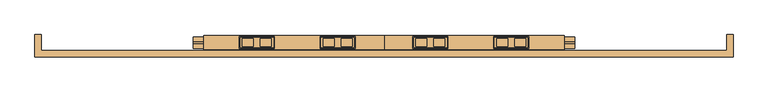
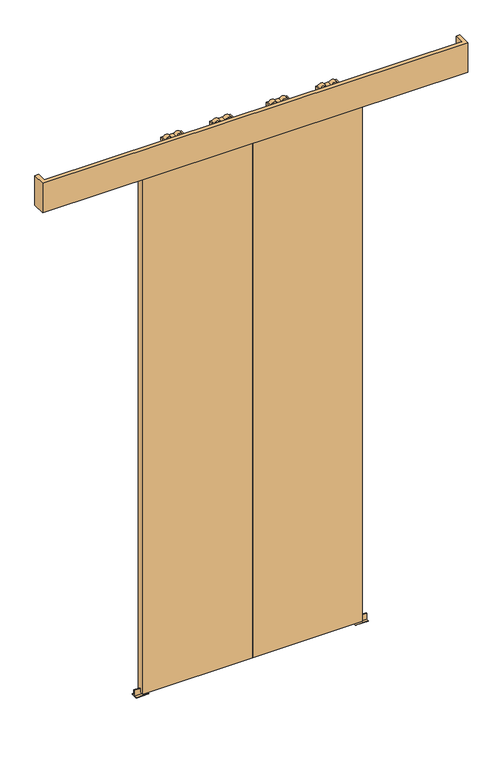
"""IFC4 building model written with IfcOpenShell, lengths in millimetres: door geometry."""

import ifcopenshell
import ifcopenshell.guid

model = None  # the IFC model being written
_history = None  # IfcOwnerHistory: only IFC2X3 demands one
_inside = {}  # id of a spatial element -> (the spatial element, [elements in it])
_under = {}  # id of a project, library or spatial element -> (it, [spatial elements below it])
_declared = {}  # id of a project -> (the project, [libraries it declares])
_typed = {}  # id of a type object -> (the type object, [elements of that type])
_made_of = {}  # id of a material, layer set ... -> (it, [elements and type objects made of it])


def new_model(schema):
    """Start an empty IFC model of exactly this schema.

    Asked for "IFC4X3", IfcOpenShell would pick the latest addendum, in which some entities
    have other attributes; the version numbers below select the first issue.
    IFC2X3 requires an IfcOwnerHistory on every rooted entity: one is made here for all.
    """
    global model, _history
    if schema == "IFC4X3":
        model = ifcopenshell.file(schema_version=(4, 3, 0, 0))
    else:
        model = ifcopenshell.file(schema=schema)
    _inside.clear()
    _under.clear()
    _declared.clear()
    _typed.clear()
    _made_of.clear()
    _history = None
    if model.schema == "IFC2X3":
        org = make("IfcOrganization", Name="unknown")
        user = make(
            "IfcPersonAndOrganization",
            ThePerson=make("IfcPerson", FamilyName="unknown"),
            TheOrganization=org,
        )
        app = make(
            "IfcApplication",
            ApplicationDeveloper=org,
            Version="unknown",
            ApplicationFullName="unknown",
            ApplicationIdentifier="unknown",
        )
        _history = make(
            "IfcOwnerHistory",
            OwningUser=user,
            OwningApplication=app,
            ChangeAction="ADDED",
            CreationDate=0,
        )
    return model


def make(cls, **values):
    """One entity of the class cls with the attributes given. An attribute that is None is left unset."""
    return model.create_entity(
        cls, **{name: value for name, value in values.items() if value is not None}
    )


def rooted(cls, **values):
    """An entity with a GlobalId (a new one), such as an element, a storey or a relation."""
    return make(cls, GlobalId=ifcopenshell.guid.new(), OwnerHistory=_history, **values)


def si_unit(unit_type, name, prefix=None):
    """IfcSIUnit, for example si_unit("LENGTHUNIT", "METRE", prefix="MILLI")."""
    return make("IfcSIUnit", UnitType=unit_type, Prefix=prefix, Name=name)


def assignment(units):
    """IfcUnitAssignment: the units of a project."""
    return None if units is None else make("IfcUnitAssignment", Units=units)


def point(xyz):
    """IfcCartesianPoint."""
    return None if xyz is None else make("IfcCartesianPoint", Coordinates=xyz)


def direction(xyz):
    """IfcDirection."""
    return None if xyz is None else make("IfcDirection", DirectionRatios=xyz)


def frame(location, z_axis=None, x_axis=None):
    """IfcAxis2Placement3D, a coordinate frame: its origin and axes. An axis left out is left unset."""
    return make(
        "IfcAxis2Placement3D",
        Location=point(location),
        Axis=direction(z_axis),
        RefDirection=direction(x_axis),
    )


def frame_2d(location, x_axis=None):
    """IfcAxis2Placement2D, a coordinate frame in the plane: its origin and x axis."""
    return make(
        "IfcAxis2Placement2D", Location=point(location), RefDirection=direction(x_axis)
    )


def origin():
    """The frame at (0, 0, 0) with its axes left unset."""
    return frame((0.0, 0.0, 0.0))


def place(relative_to, where):
    """IfcLocalPlacement: puts the frame where relative to a parent placement (None: the world)."""
    return make(
        "IfcLocalPlacement", PlacementRelTo=relative_to, RelativePlacement=where
    )


def context(
    kind, dimensions, precision=None, world=None, true_north=None, identifier=None
):
    """IfcGeometricRepresentationContext, for example the 3D "Model" context."""
    return make(
        "IfcGeometricRepresentationContext",
        ContextIdentifier=identifier,
        ContextType=kind,
        CoordinateSpaceDimension=dimensions,
        Precision=precision,
        WorldCoordinateSystem=world,
        TrueNorth=true_north,
    )


def project(units=None, contexts=None):
    """IfcProject with its units and contexts."""
    return rooted(
        "IfcProject",
        Name="project",
        RepresentationContexts=contexts,
        UnitsInContext=assignment(units),
    )


def spatial(cls, under=None, at=None, **own):
    """A site, building, storey or space (cls), placed at a placement, below another one or the project."""
    s = rooted(cls, ObjectPlacement=at, **own)
    if under is not None:
        _under.setdefault(under.id(), (under, []))[1].append(s)
    return s


def polyline(points):
    """IfcPolyline through the points."""
    return make("IfcPolyline", Points=[point(p) for p in points])


def circle_curve(where, radius):
    """IfcCircle in the frame where."""
    return make("IfcCircle", Position=where, Radius=radius)


def trimmed(basis, trim1, trim2, sense, master):
    """IfcTrimmedCurve: the piece of a basis curve between two trims."""
    return make(
        "IfcTrimmedCurve",
        BasisCurve=basis,
        Trim1=trim1,
        Trim2=trim2,
        SenseAgreement=sense,
        MasterRepresentation=master,
    )


def segment(curve, same_sense, transition):
    """IfcCompositeCurveSegment."""
    return make(
        "IfcCompositeCurveSegment",
        Transition=transition,
        SameSense=same_sense,
        ParentCurve=curve,
    )


def composite_curve(segments, self_intersect=None):
    """IfcCompositeCurve: segments joined end to end."""
    return make("IfcCompositeCurve", Segments=segments, SelfIntersect=self_intersect)


def outline(outer, holes=None, kind="AREA"):
    """IfcArbitraryClosedProfileDef: a profile drawn as a closed curve; with holes, ...WithVoids."""
    if holes is None:
        return make("IfcArbitraryClosedProfileDef", ProfileType=kind, OuterCurve=outer)
    return make(
        "IfcArbitraryProfileDefWithVoids",
        ProfileType=kind,
        OuterCurve=outer,
        InnerCurves=holes,
    )


def extrude(swept, where, along, depth):
    """IfcExtrudedAreaSolid: the profile swept, set in the frame where, extruded along a direction by depth."""
    return make(
        "IfcExtrudedAreaSolid",
        SweptArea=swept,
        Position=where,
        ExtrudedDirection=direction(along),
        Depth=depth,
    )


def shape(context_of_items, identifier, shape_type, items):
    """IfcShapeRepresentation: the items that make up one representation, for example the "Body"."""
    return make(
        "IfcShapeRepresentation",
        ContextOfItems=context_of_items,
        RepresentationIdentifier=identifier,
        RepresentationType=shape_type,
        Items=items,
    )


def source(mapping_origin, context_of_items, identifier, shape_type, items):
    """IfcRepresentationMap: a shape defined once, which mapped items show again and again."""
    return make(
        "IfcRepresentationMap",
        MappingOrigin=mapping_origin,
        MappedRepresentation=shape(context_of_items, identifier, shape_type, items),
    )


def transform(
    local_origin,
    x_axis=None,
    y_axis=None,
    z_axis=None,
    scale=None,
    scale2=None,
    scale3=None,
    uniform=True,
):
    """IfcCartesianTransformationOperator3D, or its non-uniform kind. x_axis, y_axis, z_axis: its Axis1, 2, 3."""
    if uniform:
        return make(
            "IfcCartesianTransformationOperator3D",
            Axis1=direction(x_axis),
            Axis2=direction(y_axis),
            LocalOrigin=point(local_origin),
            Scale=scale,
            Axis3=direction(z_axis),
        )
    return make(
        "IfcCartesianTransformationOperator3DnonUniform",
        Axis1=direction(x_axis),
        Axis2=direction(y_axis),
        LocalOrigin=point(local_origin),
        Scale=scale,
        Axis3=direction(z_axis),
        Scale2=scale2,
        Scale3=scale3,
    )


def mapped(mapping_source, mapping_target):
    """IfcMappedItem: shows the shape of a source again, moved by a transform."""
    return make(
        "IfcMappedItem", MappingSource=mapping_source, MappingTarget=mapping_target
    )


def made_of(thing, what):
    """Note that an element or type object is made of a material, layer set ...; save() writes the relation."""
    if what is not None:
        _made_of.setdefault(what.id(), (what, []))[1].append(thing)
    return thing


def element(
    cls,
    number,
    at=None,
    inside=None,
    cuts=None,
    type_object=None,
    material=None,
    context=None,
    identifier="Body",
    shape_type=None,
    held_by="IfcProductDefinitionShape",
    body=None,
    shapes=None,
    **own,
):
    """One element of the class cls, such as IfcWall. Its Tag is "e" and its number.

    at: its placement. inside: the storey or other place that contains it. cuts: it is an
    opening in that element (IfcRelVoidsElement). A single representation is given by context,
    identifier, shape_type and body (its items); several are given by shapes. held_by: the class
    of the entity that holds the representations. save() writes the other relations.
    """
    e = rooted(cls, Tag="e%d" % number, ObjectPlacement=at, **own)
    if body is not None:
        shapes = [shape(context, identifier, shape_type, body)]
    if shapes is not None:
        e.Representation = make(held_by, Representations=shapes)
    if inside is not None:
        _inside.setdefault(inside.id(), (inside, []))[1].append(e)
    if cuts is not None:
        rooted(
            "IfcRelVoidsElement", RelatingBuildingElement=cuts, RelatedOpeningElement=e
        )
    if type_object is not None:
        _typed.setdefault(type_object.id(), (type_object, []))[1].append(e)
    return made_of(e, material)


def aggregate(whole, parts):
    """IfcRelAggregates: a whole, such as a stair, and the parts it consists of."""
    return rooted("IfcRelAggregates", RelatingObject=whole, RelatedObjects=parts)


def save(model, path):
    """Write the relations noted so far, then the file.

    IfcRelAggregates (storeys below a building ...), IfcRelContainedInSpatialStructure (elements
    in a storey), IfcRelDefinesByType, IfcRelAssociatesMaterial and IfcRelDeclares: one each for
    every whole, place, type object, material and project.
    """
    for whole, parts in _under.values():
        aggregate(whole, parts)
    for where, things in _inside.values():
        rooted(
            "IfcRelContainedInSpatialStructure",
            RelatedElements=things,
            RelatingStructure=where,
        )
    for kind, things in _typed.values():
        rooted("IfcRelDefinesByType", RelatedObjects=things, RelatingType=kind)
    for what, things in _made_of.values():
        rooted("IfcRelAssociatesMaterial", RelatedObjects=things, RelatingMaterial=what)
    for by, libraries in _declared.values():
        rooted("IfcRelDeclares", RelatingContext=by, RelatedDefinitions=libraries)
    model.write(path)


def plane_surface(at):
    """IfcPlane: the flat surface through the origin of the frame at, square to its z axis."""
    return make("IfcPlane", Position=at)


def cylinder_surface(at, radius):
    """IfcCylindricalSurface: all points at the distance radius from the z axis of the frame at."""
    return make("IfcCylindricalSurface", Position=at, Radius=radius)


def advanced_brep(points, edges, surfaces, faces):
    """IfcAdvancedBrep: a solid bounded by faces that lie on surfaces and meet in shared edges.

    An edge is (start, end): straight between two places in points (the first is 0);
    or (start, end, curve); or (start, end, curve, False) where it runs against its curve.
    A face is (place in surfaces, loops), or (place, loops, False) where it looks against
    its surface's normal. A loop lists edges by number (the first is 1), with a minus sign
    where the edge is run from its end to its start. The first loop is the outer one.
    """
    corners = [point(p) for p in points]
    vertices = [make("IfcVertexPoint", VertexGeometry=c) for c in corners]
    made = []
    for start, end, *more in edges:
        made.append(
            make(
                "IfcEdgeCurve",
                EdgeStart=vertices[start],
                EdgeEnd=vertices[end],
                EdgeGeometry=more[0] if more else make("IfcPolyline", Points=[corners[start], corners[end]]),
                SameSense=more[1] if len(more) > 1 else True,
            )
        )
    hull = []
    for where, loops, *sense in faces:
        bounds = []
        for j, loop in enumerate(loops):
            ring = [make("IfcOrientedEdge", EdgeElement=made[abs(k) - 1], Orientation=k > 0) for k in loop]
            bounds.append(
                make(
                    "IfcFaceOuterBound" if j == 0 else "IfcFaceBound",
                    Bound=make("IfcEdgeLoop", EdgeList=ring),
                    Orientation=True,
                )
            )
        hull.append(make("IfcAdvancedFace", Bounds=bounds, FaceSurface=surfaces[where], SameSense=sense[0] if sense else True))
    return make("IfcAdvancedBrep", Outer=make("IfcClosedShell", CfsFaces=hull))


def door_4bd94a26(model_context):
    return source(origin(), model_context, "Body", "SolidModel", [
        advanced_brep(
        [(-797.0, 14.2574263, 2689.3), (-797.0, -14.7425737, 2689.3), (-702.0, -14.7425737, 2689.3), (-702.0, 14.2574263, 2689.3), (-739.072332, -10.9457536, 2689.3), (-739.072332, 10.4606061, 2689.3), (-708.78306, 10.4606061, 2689.3), (-708.78306, -10.9457536, 2689.3), (-790.21694, -10.9457536, 2689.3), (-790.21694, 10.4606061, 2689.3), (-759.927668, 10.4606061, 2689.3), (-759.927668, -10.9457536, 2689.3), (-797.0, 14.2574263, 2674.3), (-702.0, 14.2574263, 2674.3), (-702.0, -14.7425737, 2674.3), (-797.0, -14.7425737, 2674.3), (-708.78306, -10.9457536, 2674.3), (-708.78306, 10.4606061, 2674.3), (-739.072332, 10.4606061, 2674.3), (-739.072332, -10.9457536, 2674.3), (-759.927668, -10.9457536, 2674.3), (-759.927668, 10.4606061, 2674.3), (-790.21694, 10.4606061, 2674.3), (-790.21694, -10.9457536, 2674.3), (-744.55, -0.5, 2674.3), (-754.45, -0.5, 2674.3), (-744.55, -0.5, 2655.8), (-754.45, -0.5, 2655.8)],
        [
            (0, 1),
            (1, 2),
            (2, 3),
            (3, 0),
            (4, 5),
            (5, 6),
            (6, 7),
            (7, 4),
            (8, 9),
            (9, 10),
            (10, 11),
            (11, 8),
            (12, 13),
            (13, 14),
            (14, 15),
            (15, 12),
            (16, 17),
            (17, 18),
            (18, 19),
            (19, 16),
            (20, 21),
            (21, 22),
            (22, 23),
            (23, 20),
            (24, 25, circle_curve(frame((-749.5, -0.5, 2674.3), z_axis=(0.0, 0.0, 1.0), x_axis=(-1.0, 0.0, 0.0)), 4.95)),
            (25, 24, circle_curve(frame((-749.5, -0.5, 2674.3), z_axis=(0.0, 0.0, 1.0), x_axis=(-1.0, 0.0, 0.0)), 4.95)),
            (3, 13),
            (12, 0),
            (2, 14),
            (1, 15),
            (7, 4, circle_curve(frame((-723.927696, -10.9457536, 2681.8), z_axis=(0.0, -1.0, 0.0), x_axis=(-1.0, 0.0, 0.0)), 16.9)),
            (19, 16, circle_curve(frame((-723.927696, -10.9457536, 2681.8), z_axis=(0.0, -1.0, 0.0), x_axis=(-1.0, 0.0, 0.0)), 16.9)),
            (5, 6, circle_curve(frame((-723.927696, 10.4606061, 2681.8), z_axis=(0.0, 1.0, 0.0), x_axis=(-1.0, 0.0, 0.0)), 16.9)),
            (17, 18, circle_curve(frame((-723.927696, 10.4606061, 2681.8), z_axis=(0.0, 1.0, 0.0), x_axis=(-1.0, 0.0, 0.0)), 16.9)),
            (11, 8, circle_curve(frame((-775.072304, -10.9457536, 2681.8), z_axis=(0.0, -1.0, 0.0), x_axis=(1.0, 0.0, 0.0)), 16.9)),
            (23, 20, circle_curve(frame((-775.072304, -10.9457536, 2681.8), z_axis=(0.0, -1.0, 0.0), x_axis=(1.0, 0.0, 0.0)), 16.9)),
            (9, 10, circle_curve(frame((-775.072304, 10.4606061, 2681.8), z_axis=(0.0, 1.0, 0.0), x_axis=(1.0, 0.0, 0.0)), 16.9)),
            (21, 22, circle_curve(frame((-775.072304, 10.4606061, 2681.8), z_axis=(0.0, 1.0, 0.0), x_axis=(1.0, 0.0, 0.0)), 16.9)),
            (26, 27, circle_curve(frame((-749.5, -0.5, 2655.8), z_axis=(0.0, 0.0, -1.0), x_axis=(-1.0, 0.0, 0.0)), 4.95)),
            (27, 26, circle_curve(frame((-749.5, -0.5, 2655.8), z_axis=(0.0, 0.0, -1.0), x_axis=(-1.0, 0.0, 0.0)), 4.95)),
            (26, 24),
            (25, 27),
        ],
        [
            plane_surface(frame((-702.0, 14.2574263, 2689.3), z_axis=(0.0, 0.0, 1.0), x_axis=(1.0, 0.0, 0.0))),
            plane_surface(frame((-702.0, 14.2574263, 2674.3), z_axis=(0.0, 0.0, -1.0), x_axis=(-1.0, 0.0, 0.0))),
            plane_surface(frame((-797.0, 14.2574263, 2689.3), z_axis=(0.0, 1.0, 0.0), x_axis=(0.0, 0.0, -1.0))),
            plane_surface(frame((-702.0, 14.2574263, 2689.3), z_axis=(1.0, 0.0, 0.0), x_axis=(0.0, 0.0, -1.0))),
            plane_surface(frame((-702.0, -14.7425737, 2689.3), z_axis=(0.0, -1.0, 0.0), x_axis=(0.0, 0.0, -1.0))),
            plane_surface(frame((-797.0, -14.7425737, 2689.3), z_axis=(-1.0, 0.0, 0.0), x_axis=(0.0, 0.0, -1.0))),
            plane_surface(frame((-740.827696, -10.9457536, 2681.8), z_axis=(0.0, -1.0, 0.0), x_axis=(0.0, 0.0, 1.0))),
            plane_surface(frame((-740.827696, 10.4606061, 2681.8), z_axis=(0.0, 1.0, 0.0), x_axis=(0.0, 0.0, -1.0))),
            cylinder_surface(frame((-723.927696, 10.4606061, 2681.8), z_axis=(0.0, -1.0, 0.0), x_axis=(-1.0, 0.0, 0.0)), 16.9),
            plane_surface(frame((-758.172304, -10.9457536, 2681.8), z_axis=(0.0, -1.0, 0.0), x_axis=(0.0, 0.0, -1.0))),
            plane_surface(frame((-758.172304, 10.4606061, 2681.8), z_axis=(0.0, 1.0, 0.0), x_axis=(0.0, 0.0, 1.0))),
            cylinder_surface(frame((-775.072304, 10.4606061, 2681.8), z_axis=(0.0, -1.0, 0.0), x_axis=(1.0, 0.0, 0.0)), 16.9),
            plane_surface(frame((-754.45, -0.5, 2655.8), z_axis=(0.0, 0.0, -1.0), x_axis=(0.0, -1.0, 0.0))),
            cylinder_surface(frame((-749.5, -0.5, 2655.8), z_axis=(0.0, 0.0, 1.0), x_axis=(-1.0, 0.0, 0.0)), 4.95),
        ],
        [
            (0, [[1, 2, 3, 4], [5, 6, 7, 8], [9, 10, 11, 12]]),
            (1, [[13, 14, 15, 16], [17, 18, 19, 20], [21, 22, 23, 24], [25, 26]]),
            (2, [[27, -13, 28, -4]]),
            (3, [[29, -14, -27, -3]]),
            (4, [[30, -15, -29, -2]]),
            (5, [[-28, -16, -30, -1]]),
            (6, [[-8, 31]]),
            (6, [[-20, 32]]),
            (7, [[-6, 33]]),
            (7, [[-18, 34]]),
            (8, [[-19, -34, -17, -32]]),
            (8, [[-7, -33, -5, -31]]),
            (9, [[-12, 35]]),
            (9, [[-24, 36]]),
            (10, [[-10, 37]]),
            (10, [[-22, 38]]),
            (11, [[-23, -38, -21, -36]]),
            (11, [[-11, -37, -9, -35]]),
            (12, [[39, 40]]),
            (13, [[41, -26, 42, -39]]),
            (13, [[-42, -25, -41, -40]]),
        ],
    ),
        extrude(outline(composite_curve([segment(trimmed(circle_curve(frame_2d((-749.5000356, -0.1875)), 12.254021), [point((-737.2460147, -0.1875))], [point((-761.7540566, -0.1875))], False, "CARTESIAN"), True, "CONTINUOUS"), segment(trimmed(circle_curve(frame_2d((-749.5000356, -0.1875)), 12.254021), [point((-761.7540566, -0.1875))], [point((-737.2460147, -0.1875))], False, "CARTESIAN"), True, "CONTINUOUS")], self_intersect=False)), frame((0.0, 0.0, 2647.0), z_axis=(0.0, 0.0, 1.0), x_axis=(1.0, 0.0, 0.0)), (0.0, 0.0, 1.0), 8.8),
        extrude(outline(polyline([(2633.0, -799.5), (2633.0, -699.5), (2636.8, -699.5), (2647.0, -737.25), (2647.0, -761.75), (2636.8, -799.5), (2633.0, -799.5)])), frame((0.0, -17.7425737, 0.0), z_axis=(0.0, 1.0, 0.0), x_axis=(0.0, 0.0, 1.0)), (0.0, 0.0, 1.0), 35.0),
        advanced_brep(
        [(-964.0, 14.2574263, 2689.3), (-1059.0, 14.2574263, 2689.3), (-1059.0, -14.7425737, 2689.3), (-964.0, -14.7425737, 2689.3), (-1021.927668, -10.9457536, 2689.3), (-1052.21694, -10.9457536, 2689.3), (-1052.21694, 10.4606061, 2689.3), (-1021.927668, 10.4606061, 2689.3), (-970.78306, -10.9457536, 2689.3), (-1001.072332, -10.9457536, 2689.3), (-1001.072332, 10.4606061, 2689.3), (-970.78306, 10.4606061, 2689.3), (-964.0, 14.2574263, 2674.3), (-964.0, -14.7425737, 2674.3), (-1059.0, -14.7425737, 2674.3), (-1059.0, 14.2574263, 2674.3), (-1052.21694, -10.9457536, 2674.3), (-1021.927668, -10.9457536, 2674.3), (-1021.927668, 10.4606061, 2674.3), (-1052.21694, 10.4606061, 2674.3), (-1001.072332, -10.9457536, 2674.3), (-970.78306, -10.9457536, 2674.3), (-970.78306, 10.4606061, 2674.3), (-1001.072332, 10.4606061, 2674.3), (-1016.45, -0.5, 2674.3), (-1006.55, -0.5, 2674.3), (-1016.45, -0.5, 2655.8), (-1006.55, -0.5, 2655.8)],
        [
            (0, 1),
            (1, 2),
            (2, 3),
            (3, 0),
            (4, 5),
            (5, 6),
            (6, 7),
            (7, 4),
            (8, 9),
            (9, 10),
            (10, 11),
            (11, 8),
            (12, 13),
            (13, 14),
            (14, 15),
            (15, 12),
            (16, 17),
            (17, 18),
            (18, 19),
            (19, 16),
            (20, 21),
            (21, 22),
            (22, 23),
            (23, 20),
            (24, 25, circle_curve(frame((-1011.5, -0.5, 2674.3), z_axis=(0.0, 0.0, 1.0), x_axis=(1.0, 0.0, 0.0)), 4.95)),
            (25, 24, circle_curve(frame((-1011.5, -0.5, 2674.3), z_axis=(0.0, 0.0, 1.0), x_axis=(1.0, 0.0, 0.0)), 4.95)),
            (0, 12),
            (15, 1),
            (14, 2),
            (13, 3),
            (16, 17, circle_curve(frame((-1037.072304, -10.9457536, 2681.8), z_axis=(0.0, -1.0, 0.0), x_axis=(1.0, 0.0, 0.0)), 16.9)),
            (4, 5, circle_curve(frame((-1037.072304, -10.9457536, 2681.8), z_axis=(0.0, -1.0, 0.0), x_axis=(1.0, 0.0, 0.0)), 16.9)),
            (6, 7, circle_curve(frame((-1037.072304, 10.4606061, 2681.8), z_axis=(0.0, 1.0, 0.0), x_axis=(1.0, 0.0, 0.0)), 16.9)),
            (18, 19, circle_curve(frame((-1037.072304, 10.4606061, 2681.8), z_axis=(0.0, 1.0, 0.0), x_axis=(1.0, 0.0, 0.0)), 16.9)),
            (8, 9, circle_curve(frame((-985.927696, -10.9457536, 2681.8), z_axis=(0.0, -1.0, 0.0), x_axis=(-1.0, 0.0, 0.0)), 16.9)),
            (20, 21, circle_curve(frame((-985.927696, -10.9457536, 2681.8), z_axis=(0.0, -1.0, 0.0), x_axis=(-1.0, 0.0, 0.0)), 16.9)),
            (22, 23, circle_curve(frame((-985.927696, 10.4606061, 2681.8), z_axis=(0.0, 1.0, 0.0), x_axis=(-1.0, 0.0, 0.0)), 16.9)),
            (10, 11, circle_curve(frame((-985.927696, 10.4606061, 2681.8), z_axis=(0.0, 1.0, 0.0), x_axis=(-1.0, 0.0, 0.0)), 16.9)),
            (26, 27, circle_curve(frame((-1011.5, -0.5, 2655.8), z_axis=(0.0, 0.0, -1.0), x_axis=(1.0, 0.0, 0.0)), 4.95)),
            (27, 26, circle_curve(frame((-1011.5, -0.5, 2655.8), z_axis=(0.0, 0.0, -1.0), x_axis=(1.0, 0.0, 0.0)), 4.95)),
            (27, 25),
            (24, 26),
        ],
        [
            plane_surface(frame((-1059.0, 14.2574263, 2689.3), z_axis=(0.0, 0.0, 1.0), x_axis=(-1.0, 0.0, 0.0))),
            plane_surface(frame((-1059.0, 14.2574263, 2674.3), z_axis=(0.0, 0.0, -1.0), x_axis=(1.0, 0.0, 0.0))),
            plane_surface(frame((-964.0, 14.2574263, 2689.3), z_axis=(0.0, 1.0, 0.0), x_axis=(0.0, 0.0, -1.0))),
            plane_surface(frame((-1059.0, 14.2574263, 2689.3), z_axis=(-1.0, 0.0, 0.0), x_axis=(0.0, 0.0, -1.0))),
            plane_surface(frame((-1059.0, -14.7425737, 2689.3), z_axis=(0.0, -1.0, 0.0), x_axis=(0.0, 0.0, -1.0))),
            plane_surface(frame((-964.0, -14.7425737, 2689.3), z_axis=(1.0, 0.0, 0.0), x_axis=(0.0, 0.0, -1.0))),
            plane_surface(frame((-1020.172304, -10.9457536, 2681.8), z_axis=(0.0, -1.0, 0.0), x_axis=(0.0, 0.0, 1.0))),
            plane_surface(frame((-1020.172304, 10.4606061, 2681.8), z_axis=(0.0, 1.0, 0.0), x_axis=(0.0, 0.0, -1.0))),
            cylinder_surface(frame((-1037.072304, 10.4606061, 2681.8), z_axis=(0.0, -1.0, 0.0), x_axis=(1.0, 0.0, 0.0)), 16.9),
            plane_surface(frame((-1002.827696, -10.9457536, 2681.8), z_axis=(0.0, -1.0, 0.0), x_axis=(0.0, 0.0, -1.0))),
            plane_surface(frame((-1002.827696, 10.4606061, 2681.8), z_axis=(0.0, 1.0, 0.0), x_axis=(0.0, 0.0, 1.0))),
            cylinder_surface(frame((-985.927696, 10.4606061, 2681.8), z_axis=(0.0, -1.0, 0.0), x_axis=(-1.0, 0.0, 0.0)), 16.9),
            plane_surface(frame((-1006.55, -0.5, 2655.8), z_axis=(0.0, 0.0, -1.0), x_axis=(0.0, -1.0, 0.0))),
            cylinder_surface(frame((-1011.5, -0.5, 2655.8), z_axis=(0.0, 0.0, 1.0), x_axis=(1.0, 0.0, 0.0)), 4.95),
        ],
        [
            (0, [[1, 2, 3, 4], [5, 6, 7, 8], [9, 10, 11, 12]]),
            (1, [[13, 14, 15, 16], [17, 18, 19, 20], [21, 22, 23, 24], [25, 26]]),
            (2, [[-1, 27, -16, 28]]),
            (3, [[-2, -28, -15, 29]]),
            (4, [[-3, -29, -14, 30]]),
            (5, [[-4, -30, -13, -27]]),
            (6, [[31, -17]]),
            (6, [[32, -5]]),
            (7, [[33, -7]]),
            (7, [[34, -19]]),
            (8, [[-31, -20, -34, -18]]),
            (8, [[-32, -8, -33, -6]]),
            (9, [[35, -9]]),
            (9, [[36, -21]]),
            (10, [[37, -23]]),
            (10, [[38, -11]]),
            (11, [[-36, -24, -37, -22]]),
            (11, [[-35, -12, -38, -10]]),
            (12, [[39, 40]]),
            (13, [[-40, 41, -25, 42]]),
            (13, [[-39, -42, -26, -41]]),
        ],
    ),
        extrude(outline(composite_curve([segment(trimmed(circle_curve(frame_2d((-1011.4999644, -0.1875)), 12.254021), [point((-1023.7539853, -0.1875))], [point((-999.2459434, -0.1875))], False, "CARTESIAN"), True, "CONTINUOUS"), segment(trimmed(circle_curve(frame_2d((-1011.4999644, -0.1875)), 12.254021), [point((-999.2459434, -0.1875))], [point((-1023.7539853, -0.1875))], False, "CARTESIAN"), True, "CONTINUOUS")], self_intersect=False)), frame((0.0, 0.0, 2647.0), z_axis=(0.0, 0.0, 1.0), x_axis=(1.0, 0.0, 0.0)), (0.0, 0.0, 1.0), 8.8),
        extrude(outline(polyline([(2633.0, -961.5), (2636.8, -961.5), (2647.0, -999.25), (2647.0, -1023.75), (2636.8, -1061.5), (2633.0, -1061.5), (2633.0, -961.5)])), frame((0.0, -17.7425737, 0.0), z_axis=(0.0, 1.0, 0.0), x_axis=(0.0, 0.0, 1.0)), (0.0, 0.0, 1.0), 35.0),
        advanced_brep(
        [(-568.0, 14.2574263, 2689.3), (-568.0, -14.7425737, 2689.3), (-473.0, -14.7425737, 2689.3), (-473.0, 14.2574263, 2689.3), (-510.072332, -10.9457536, 2689.3), (-510.072332, 10.4606061, 2689.3), (-479.78306, 10.4606061, 2689.3), (-479.78306, -10.9457536, 2689.3), (-561.21694, -10.9457536, 2689.3), (-561.21694, 10.4606061, 2689.3), (-530.927668, 10.4606061, 2689.3), (-530.927668, -10.9457536, 2689.3), (-568.0, 14.2574263, 2674.3), (-473.0, 14.2574263, 2674.3), (-473.0, -14.7425737, 2674.3), (-568.0, -14.7425737, 2674.3), (-479.78306, -10.9457536, 2674.3), (-479.78306, 10.4606061, 2674.3), (-510.072332, 10.4606061, 2674.3), (-510.072332, -10.9457536, 2674.3), (-530.927668, -10.9457536, 2674.3), (-530.927668, 10.4606061, 2674.3), (-561.21694, 10.4606061, 2674.3), (-561.21694, -10.9457536, 2674.3), (-515.55, -0.5, 2674.3), (-525.45, -0.5, 2674.3), (-515.55, -0.5, 2655.8), (-525.45, -0.5, 2655.8)],
        [
            (0, 1),
            (1, 2),
            (2, 3),
            (3, 0),
            (4, 5),
            (5, 6),
            (6, 7),
            (7, 4),
            (8, 9),
            (9, 10),
            (10, 11),
            (11, 8),
            (12, 13),
            (13, 14),
            (14, 15),
            (15, 12),
            (16, 17),
            (17, 18),
            (18, 19),
            (19, 16),
            (20, 21),
            (21, 22),
            (22, 23),
            (23, 20),
            (24, 25, circle_curve(frame((-520.5, -0.5, 2674.3), z_axis=(0.0, 0.0, 1.0), x_axis=(-1.0, 0.0, 0.0)), 4.95)),
            (25, 24, circle_curve(frame((-520.5, -0.5, 2674.3), z_axis=(0.0, 0.0, 1.0), x_axis=(-1.0, 0.0, 0.0)), 4.95)),
            (3, 13),
            (12, 0),
            (2, 14),
            (1, 15),
            (7, 4, circle_curve(frame((-494.927696, -10.9457536, 2681.8), z_axis=(0.0, -1.0, 0.0), x_axis=(-1.0, 0.0, 0.0)), 16.9)),
            (19, 16, circle_curve(frame((-494.927696, -10.9457536, 2681.8), z_axis=(0.0, -1.0, 0.0), x_axis=(-1.0, 0.0, 0.0)), 16.9)),
            (5, 6, circle_curve(frame((-494.927696, 10.4606061, 2681.8), z_axis=(0.0, 1.0, 0.0), x_axis=(-1.0, 0.0, 0.0)), 16.9)),
            (17, 18, circle_curve(frame((-494.927696, 10.4606061, 2681.8), z_axis=(0.0, 1.0, 0.0), x_axis=(-1.0, 0.0, 0.0)), 16.9)),
            (11, 8, circle_curve(frame((-546.072304, -10.9457536, 2681.8), z_axis=(0.0, -1.0, 0.0), x_axis=(1.0, 0.0, 0.0)), 16.9)),
            (23, 20, circle_curve(frame((-546.072304, -10.9457536, 2681.8), z_axis=(0.0, -1.0, 0.0), x_axis=(1.0, 0.0, 0.0)), 16.9)),
            (9, 10, circle_curve(frame((-546.072304, 10.4606061, 2681.8), z_axis=(0.0, 1.0, 0.0), x_axis=(1.0, 0.0, 0.0)), 16.9)),
            (21, 22, circle_curve(frame((-546.072304, 10.4606061, 2681.8), z_axis=(0.0, 1.0, 0.0), x_axis=(1.0, 0.0, 0.0)), 16.9)),
            (26, 27, circle_curve(frame((-520.5, -0.5, 2655.8), z_axis=(0.0, 0.0, -1.0), x_axis=(-1.0, 0.0, 0.0)), 4.95)),
            (27, 26, circle_curve(frame((-520.5, -0.5, 2655.8), z_axis=(0.0, 0.0, -1.0), x_axis=(-1.0, 0.0, 0.0)), 4.95)),
            (26, 24),
            (25, 27),
        ],
        [
            plane_surface(frame((-473.0, 14.2574263, 2689.3), z_axis=(0.0, 0.0, 1.0), x_axis=(1.0, 0.0, 0.0))),
            plane_surface(frame((-473.0, 14.2574263, 2674.3), z_axis=(0.0, 0.0, -1.0), x_axis=(-1.0, 0.0, 0.0))),
            plane_surface(frame((-568.0, 14.2574263, 2689.3), z_axis=(0.0, 1.0, 0.0), x_axis=(0.0, 0.0, -1.0))),
            plane_surface(frame((-473.0, 14.2574263, 2689.3), z_axis=(1.0, 0.0, 0.0), x_axis=(0.0, 0.0, -1.0))),
            plane_surface(frame((-473.0, -14.7425737, 2689.3), z_axis=(0.0, -1.0, 0.0), x_axis=(0.0, 0.0, -1.0))),
            plane_surface(frame((-568.0, -14.7425737, 2689.3), z_axis=(-1.0, 0.0, 0.0), x_axis=(0.0, 0.0, -1.0))),
            plane_surface(frame((-511.827696, -10.9457536, 2681.8), z_axis=(0.0, -1.0, 0.0), x_axis=(0.0, 0.0, 1.0))),
            plane_surface(frame((-511.827696, 10.4606061, 2681.8), z_axis=(0.0, 1.0, 0.0), x_axis=(0.0, 0.0, -1.0))),
            cylinder_surface(frame((-494.927696, 10.4606061, 2681.8), z_axis=(0.0, -1.0, 0.0), x_axis=(-1.0, 0.0, 0.0)), 16.9),
            plane_surface(frame((-529.172304, -10.9457536, 2681.8), z_axis=(0.0, -1.0, 0.0), x_axis=(0.0, 0.0, -1.0))),
            plane_surface(frame((-529.172304, 10.4606061, 2681.8), z_axis=(0.0, 1.0, 0.0), x_axis=(0.0, 0.0, 1.0))),
            cylinder_surface(frame((-546.072304, 10.4606061, 2681.8), z_axis=(0.0, -1.0, 0.0), x_axis=(1.0, 0.0, 0.0)), 16.9),
            plane_surface(frame((-525.45, -0.5, 2655.8), z_axis=(0.0, 0.0, -1.0), x_axis=(0.0, -1.0, 0.0))),
            cylinder_surface(frame((-520.5, -0.5, 2655.8), z_axis=(0.0, 0.0, 1.0), x_axis=(-1.0, 0.0, 0.0)), 4.95),
        ],
        [
            (0, [[1, 2, 3, 4], [5, 6, 7, 8], [9, 10, 11, 12]]),
            (1, [[13, 14, 15, 16], [17, 18, 19, 20], [21, 22, 23, 24], [25, 26]]),
            (2, [[27, -13, 28, -4]]),
            (3, [[29, -14, -27, -3]]),
            (4, [[30, -15, -29, -2]]),
            (5, [[-28, -16, -30, -1]]),
            (6, [[-8, 31]]),
            (6, [[-20, 32]]),
            (7, [[-6, 33]]),
            (7, [[-18, 34]]),
            (8, [[-19, -34, -17, -32]]),
            (8, [[-7, -33, -5, -31]]),
            (9, [[-12, 35]]),
            (9, [[-24, 36]]),
            (10, [[-10, 37]]),
            (10, [[-22, 38]]),
            (11, [[-23, -38, -21, -36]]),
            (11, [[-11, -37, -9, -35]]),
            (12, [[39, 40]]),
            (13, [[41, -26, 42, -39]]),
            (13, [[-42, -25, -41, -40]]),
        ],
    ),
        extrude(outline(composite_curve([segment(trimmed(circle_curve(frame_2d((-520.5000356, -0.1875)), 12.254021), [point((-508.2460147, -0.1875))], [point((-532.7540566, -0.1875))], False, "CARTESIAN"), True, "CONTINUOUS"), segment(trimmed(circle_curve(frame_2d((-520.5000356, -0.1875)), 12.254021), [point((-532.7540566, -0.1875))], [point((-508.2460147, -0.1875))], False, "CARTESIAN"), True, "CONTINUOUS")], self_intersect=False)), frame((0.0, 0.0, 2647.0), z_axis=(0.0, 0.0, 1.0), x_axis=(1.0, 0.0, 0.0)), (0.0, 0.0, 1.0), 8.8),
        extrude(outline(polyline([(2633.0, -570.5), (2633.0, -470.5), (2636.8, -470.5), (2647.0, -508.25), (2647.0, -532.75), (2636.8, -570.5), (2633.0, -570.5)])), frame((0.0, -17.7425737, 0.0), z_axis=(0.0, 1.0, 0.0), x_axis=(0.0, 0.0, 1.0)), (0.0, 0.0, 1.0), 35.0),
        advanced_brep(
        [(-1193.0, 14.2574263, 2689.3), (-1288.0, 14.2574263, 2689.3), (-1288.0, -14.7425737, 2689.3), (-1193.0, -14.7425737, 2689.3), (-1250.927668, -10.9457536, 2689.3), (-1281.21694, -10.9457536, 2689.3), (-1281.21694, 10.4606061, 2689.3), (-1250.927668, 10.4606061, 2689.3), (-1199.78306, -10.9457536, 2689.3), (-1230.072332, -10.9457536, 2689.3), (-1230.072332, 10.4606061, 2689.3), (-1199.78306, 10.4606061, 2689.3), (-1193.0, 14.2574263, 2674.3), (-1193.0, -14.7425737, 2674.3), (-1288.0, -14.7425737, 2674.3), (-1288.0, 14.2574263, 2674.3), (-1281.21694, -10.9457536, 2674.3), (-1250.927668, -10.9457536, 2674.3), (-1250.927668, 10.4606061, 2674.3), (-1281.21694, 10.4606061, 2674.3), (-1230.072332, -10.9457536, 2674.3), (-1199.78306, -10.9457536, 2674.3), (-1199.78306, 10.4606061, 2674.3), (-1230.072332, 10.4606061, 2674.3), (-1245.45, -0.5, 2674.3), (-1235.55, -0.5, 2674.3), (-1245.45, -0.5, 2655.8), (-1235.55, -0.5, 2655.8)],
        [
            (0, 1),
            (1, 2),
            (2, 3),
            (3, 0),
            (4, 5),
            (5, 6),
            (6, 7),
            (7, 4),
            (8, 9),
            (9, 10),
            (10, 11),
            (11, 8),
            (12, 13),
            (13, 14),
            (14, 15),
            (15, 12),
            (16, 17),
            (17, 18),
            (18, 19),
            (19, 16),
            (20, 21),
            (21, 22),
            (22, 23),
            (23, 20),
            (24, 25, circle_curve(frame((-1240.5, -0.5, 2674.3), z_axis=(0.0, 0.0, 1.0), x_axis=(1.0, 0.0, 0.0)), 4.95)),
            (25, 24, circle_curve(frame((-1240.5, -0.5, 2674.3), z_axis=(0.0, 0.0, 1.0), x_axis=(1.0, 0.0, 0.0)), 4.95)),
            (0, 12),
            (15, 1),
            (14, 2),
            (13, 3),
            (16, 17, circle_curve(frame((-1266.072304, -10.9457536, 2681.8), z_axis=(0.0, -1.0, 0.0), x_axis=(1.0, 0.0, 0.0)), 16.9)),
            (4, 5, circle_curve(frame((-1266.072304, -10.9457536, 2681.8), z_axis=(0.0, -1.0, 0.0), x_axis=(1.0, 0.0, 0.0)), 16.9)),
            (6, 7, circle_curve(frame((-1266.072304, 10.4606061, 2681.8), z_axis=(0.0, 1.0, 0.0), x_axis=(1.0, 0.0, 0.0)), 16.9)),
            (18, 19, circle_curve(frame((-1266.072304, 10.4606061, 2681.8), z_axis=(0.0, 1.0, 0.0), x_axis=(1.0, 0.0, 0.0)), 16.9)),
            (8, 9, circle_curve(frame((-1214.927696, -10.9457536, 2681.8), z_axis=(0.0, -1.0, 0.0), x_axis=(-1.0, 0.0, 0.0)), 16.9)),
            (20, 21, circle_curve(frame((-1214.927696, -10.9457536, 2681.8), z_axis=(0.0, -1.0, 0.0), x_axis=(-1.0, 0.0, 0.0)), 16.9)),
            (22, 23, circle_curve(frame((-1214.927696, 10.4606061, 2681.8), z_axis=(0.0, 1.0, 0.0), x_axis=(-1.0, 0.0, 0.0)), 16.9)),
            (10, 11, circle_curve(frame((-1214.927696, 10.4606061, 2681.8), z_axis=(0.0, 1.0, 0.0), x_axis=(-1.0, 0.0, 0.0)), 16.9)),
            (26, 27, circle_curve(frame((-1240.5, -0.5, 2655.8), z_axis=(0.0, 0.0, -1.0), x_axis=(1.0, 0.0, 0.0)), 4.95)),
            (27, 26, circle_curve(frame((-1240.5, -0.5, 2655.8), z_axis=(0.0, 0.0, -1.0), x_axis=(1.0, 0.0, 0.0)), 4.95)),
            (27, 25),
            (24, 26),
        ],
        [
            plane_surface(frame((-1288.0, 14.2574263, 2689.3), z_axis=(0.0, 0.0, 1.0), x_axis=(-1.0, 0.0, 0.0))),
            plane_surface(frame((-1288.0, 14.2574263, 2674.3), z_axis=(0.0, 0.0, -1.0), x_axis=(1.0, 0.0, 0.0))),
            plane_surface(frame((-1193.0, 14.2574263, 2689.3), z_axis=(0.0, 1.0, 0.0), x_axis=(0.0, 0.0, -1.0))),
            plane_surface(frame((-1288.0, 14.2574263, 2689.3), z_axis=(-1.0, 0.0, 0.0), x_axis=(0.0, 0.0, -1.0))),
            plane_surface(frame((-1288.0, -14.7425737, 2689.3), z_axis=(0.0, -1.0, 0.0), x_axis=(0.0, 0.0, -1.0))),
            plane_surface(frame((-1193.0, -14.7425737, 2689.3), z_axis=(1.0, 0.0, 0.0), x_axis=(0.0, 0.0, -1.0))),
            plane_surface(frame((-1249.172304, -10.9457536, 2681.8), z_axis=(0.0, -1.0, 0.0), x_axis=(0.0, 0.0, 1.0))),
            plane_surface(frame((-1249.172304, 10.4606061, 2681.8), z_axis=(0.0, 1.0, 0.0), x_axis=(0.0, 0.0, -1.0))),
            cylinder_surface(frame((-1266.072304, 10.4606061, 2681.8), z_axis=(0.0, -1.0, 0.0), x_axis=(1.0, 0.0, 0.0)), 16.9),
            plane_surface(frame((-1231.827696, -10.9457536, 2681.8), z_axis=(0.0, -1.0, 0.0), x_axis=(0.0, 0.0, -1.0))),
            plane_surface(frame((-1231.827696, 10.4606061, 2681.8), z_axis=(0.0, 1.0, 0.0), x_axis=(0.0, 0.0, 1.0))),
            cylinder_surface(frame((-1214.927696, 10.4606061, 2681.8), z_axis=(0.0, -1.0, 0.0), x_axis=(-1.0, 0.0, 0.0)), 16.9),
            plane_surface(frame((-1235.55, -0.5, 2655.8), z_axis=(0.0, 0.0, -1.0), x_axis=(0.0, -1.0, 0.0))),
            cylinder_surface(frame((-1240.5, -0.5, 2655.8), z_axis=(0.0, 0.0, 1.0), x_axis=(1.0, 0.0, 0.0)), 4.95),
        ],
        [
            (0, [[1, 2, 3, 4], [5, 6, 7, 8], [9, 10, 11, 12]]),
            (1, [[13, 14, 15, 16], [17, 18, 19, 20], [21, 22, 23, 24], [25, 26]]),
            (2, [[-1, 27, -16, 28]]),
            (3, [[-2, -28, -15, 29]]),
            (4, [[-3, -29, -14, 30]]),
            (5, [[-4, -30, -13, -27]]),
            (6, [[31, -17]]),
            (6, [[32, -5]]),
            (7, [[33, -7]]),
            (7, [[34, -19]]),
            (8, [[-31, -20, -34, -18]]),
            (8, [[-32, -8, -33, -6]]),
            (9, [[35, -9]]),
            (9, [[36, -21]]),
            (10, [[37, -23]]),
            (10, [[38, -11]]),
            (11, [[-36, -24, -37, -22]]),
            (11, [[-35, -12, -38, -10]]),
            (12, [[39, 40]]),
            (13, [[-40, 41, -25, 42]]),
            (13, [[-39, -42, -26, -41]]),
        ],
    ),
        extrude(outline(composite_curve([segment(trimmed(circle_curve(frame_2d((-1240.4999644, -0.1875)), 12.254021), [point((-1252.7539853, -0.1875))], [point((-1228.2459434, -0.1875))], False, "CARTESIAN"), True, "CONTINUOUS"), segment(trimmed(circle_curve(frame_2d((-1240.4999644, -0.1875)), 12.254021), [point((-1228.2459434, -0.1875))], [point((-1252.7539853, -0.1875))], False, "CARTESIAN"), True, "CONTINUOUS")], self_intersect=False)), frame((0.0, 0.0, 2647.0), z_axis=(0.0, 0.0, 1.0), x_axis=(1.0, 0.0, 0.0)), (0.0, 0.0, 1.0), 8.8),
        extrude(outline(polyline([(2633.0, -1190.5), (2636.8, -1190.5), (2647.0, -1228.25), (2647.0, -1252.75), (2636.8, -1290.5), (2633.0, -1290.5), (2633.0, -1190.5)])), frame((0.0, -17.7425737, 0.0), z_axis=(0.0, 1.0, 0.0), x_axis=(0.0, 0.0, 1.0)), (0.0, 0.0, 1.0), 35.0),
        extrude(outline(polyline([(-880.5, 19.5), (-880.5, -20.5), (-1390.5, -20.5), (-1390.5, 19.5), (-880.5, 19.5)])), frame((0.0, 0.0, 10.0), z_axis=(0.0, 0.0, 1.0), x_axis=(1.0, 0.0, 0.0)), (0.0, 0.0, 1.0), 2623.0),
        extrude(outline(polyline([(-880.5, 19.5), (-370.5, 19.5), (-370.5, -20.5), (-880.5, -20.5), (-880.5, 19.5)])), frame((0.0, 0.0, 10.0), z_axis=(0.0, 0.0, 1.0), x_axis=(1.0, 0.0, 0.0)), (0.0, 0.0, 1.0), 2623.0),
        extrude(outline(polyline([(-1868.5, 22.0), (-1850.5, 22.0), (-1850.5, -23.0), (89.5, -23.0), (89.5, 22.0), (107.5, 22.0), (107.5, -41.0), (-1868.5, -41.0), (-1868.5, 22.0)])), frame((0.0, 0.0, 2555.0), z_axis=(0.0, 0.0, 1.0), x_axis=(1.0, 0.0, 0.0)), (0.0, 0.0, 1.0), 145.0),
        extrude(outline(polyline([(15.6967365, 0.0), (15.6967365, -2.0), (-16.3032635, -2.0), (-16.3032635, 0.0), (-2.3032635, 0.0), (-2.3032635, 27.5), (2.0, 27.5), (2.0, 0.0), (15.6967365, 0.0)])), frame((-1420.5, 0.0, 0.0), z_axis=(1.0, 0.0, 0.0), x_axis=(0.0, 1.0, 0.0)), (0.0, 0.0, 1.0), 60.0),
        extrude(outline(polyline([(15.6967365, 0.0), (15.6967365, -2.0), (-16.3032635, -2.0), (-16.3032635, 0.0), (-2.3032635, 0.0), (-2.3032635, 27.5), (2.0, 27.5), (2.0, 0.0), (15.6967365, 0.0)])), frame((-400.5, 0.0, 0.0), z_axis=(1.0, 0.0, 0.0), x_axis=(0.0, 1.0, 0.0)), (0.0, 0.0, 1.0), 60.0),
    ])


if __name__ == "__main__":
    model = new_model("IFC4")
    model_context = context("Model", 3, world=origin())
    ifc_project = project(units=[si_unit("LENGTHUNIT", "METRE", prefix="MILLI")], contexts=[model_context])
    site = spatial("IfcSite", under=ifc_project)
    building = spatial("IfcBuilding", under=site)
    placement = place(None, origin())
    door_shape = door_4bd94a26(model_context)
    element("IfcDoor", 1, at=placement, inside=building, context=model_context, shape_type="MappedRepresentation", body=[
        mapped(door_shape, transform((0.0, 0.0, 0.0), x_axis=(1.0, 0.0, 0.0), y_axis=(0.0, 1.0, 0.0), z_axis=(0.0, 0.0, 1.0))),
    ])
    save(model, "model.ifc")
